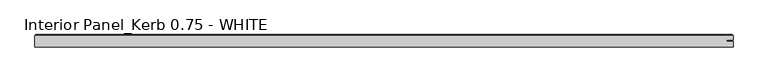
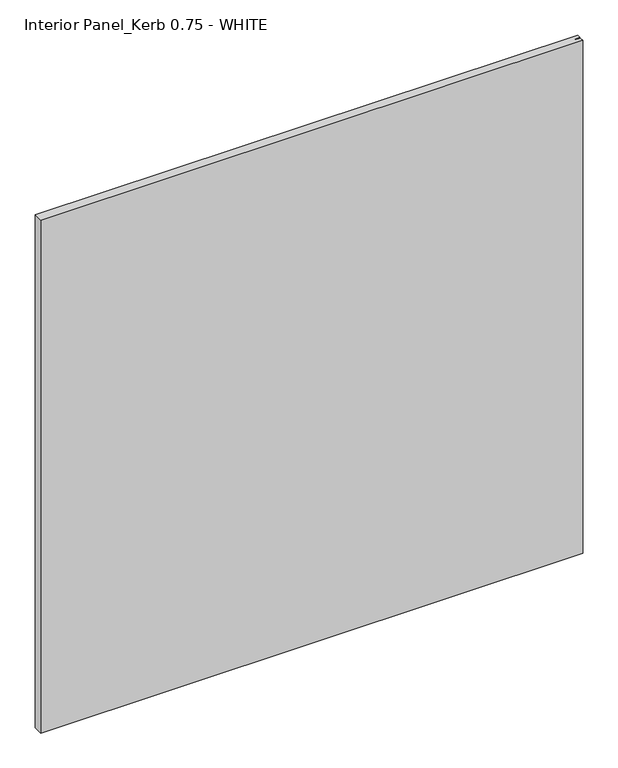
"""IFC4 building model written with IfcOpenShell, lengths in millimetres: proxy geometry, Interior Panel_Kerb 0.75 - WHITE."""

from ifc_helpers import new_model, si_unit, origin, place, context, project, spatial, faceted_brep, source, transform, mapped, element, save


def interior_panel_kerb_0_75_white_fbe9e5a7(model_context):
    return source(origin(), model_context, "Body", "Brep", [
        faceted_brep([(990.6, -3.175, 1063.625), (990.6, 5.2832, 1063.625), (980.7773437, 5.2832, 1063.625), (980.7773437, 7.4168, 1063.625), (990.6, 7.4168, 1063.625), (990.6, 14.2875, 1063.625), (-73.025, 14.2875, 1063.625), (-73.025, -3.175, 1063.625), (990.6, -3.175, 0.0), (-73.025, -3.175, 0.0), (-73.025, 14.2875, 0.0), (990.6, 14.2875, 0.0), (990.6, 7.4168, 0.0), (980.7773437, 7.4168, 0.0), (980.7773437, 5.2832, 0.0), (990.6, 5.2832, 0.0), (-71.4375, 15.875, 1062.0375), (989.0125, 15.875, 1062.0375), (989.0125, 15.875, 1.5875), (-71.4375, 15.875, 1.5875)], [[[0, 1, 2, 3, 4, 5, 6, 7]], [[8, 9, 10, 11, 12, 13, 14, 15]], [[7, 9, 8, 0]], [[6, 10, 9, 7]], [[16, 17, 18, 19]], [[4, 12, 11, 5]], [[6, 16, 19, 10]], [[11, 18, 17, 5]], [[5, 17, 16, 6]], [[10, 19, 18, 11]], [[3, 13, 12, 4]], [[2, 14, 13, 3]], [[1, 15, 14, 2]], [[0, 8, 15, 1]]]),
    ])


if __name__ == "__main__":
    model = new_model("IFC4")
    model_context = context("Model", 3, world=origin())
    ifc_project = project(units=[si_unit("LENGTHUNIT", "METRE", prefix="MILLI")], contexts=[model_context])
    site = spatial("IfcSite", under=ifc_project)
    building = spatial("IfcBuilding", under=site)
    placement = place(None, origin())
    interior_panel_kerb_0_75_white_shape = interior_panel_kerb_0_75_white_fbe9e5a7(model_context)
    element("IfcBuildingElementProxy", 1, Name="Interior Panel_Kerb 0.75 - WHITE", ObjectType="Interior Panel_Kerb 0.75 - WHITE", at=placement, inside=building, context=model_context, shape_type="MappedRepresentation", body=[
        mapped(interior_panel_kerb_0_75_white_shape, transform((0.0, 0.0, 0.0), x_axis=(1.0, 0.0, 0.0), y_axis=(0.0, 1.0, 0.0), z_axis=(0.0, 0.0, 1.0))),
    ])
    save(model, "model.ifc")
